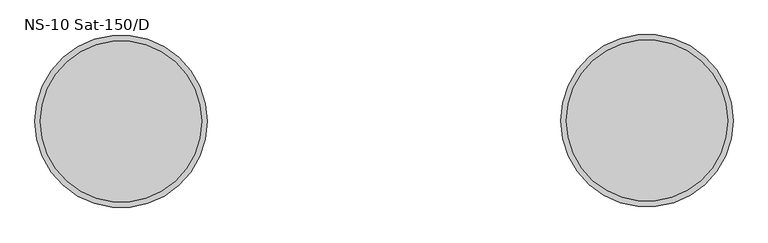
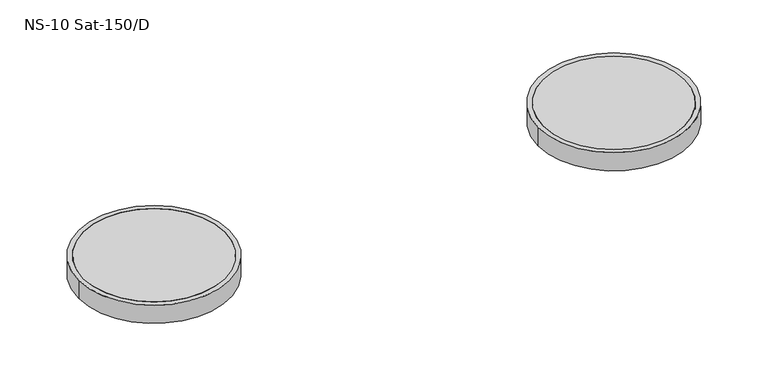
"""IFC4 building model written with IfcOpenShell, lengths in millimetres: unitary equipment geometry, NS-10 Sat-150/D."""

from ifc_helpers import new_model, si_unit, point, frame, frame_2d, origin, place, context, project, spatial, circle_curve, trimmed, segment, composite_curve, outline, extrude, source, transform, mapped, element, save


def ns_10_sat_150_d_5aff60be(model_context):
    return source(origin(), model_context, "Body", "SweptSolid", [
        extrude(outline(composite_curve([segment(trimmed(circle_curve(frame_2d((1190.0, 3.75)), 365.0), [point((1555.0, 3.75))], [point((825.0, 3.75))], False, "CARTESIAN"), True, "CONTINUOUS"), segment(trimmed(circle_curve(frame_2d((1190.0, 3.75)), 365.0), [point((825.0, 3.75))], [point((1555.0, 3.75))], False, "CARTESIAN"), True, "CONTINUOUS")], self_intersect=False)), frame((0.0, 0.0, -100.0), z_axis=(0.0, 0.0, 1.0), x_axis=(1.0, 0.0, 0.0)), (0.0, 0.0, 1.0), 100.0),
        extrude(outline(composite_curve([segment(trimmed(circle_curve(frame_2d((1190.0, 3.75)), 390.0), [point((800.0, 3.75))], [point((1580.0, 3.75))], False, "CARTESIAN"), True, "CONTINUOUS"), segment(trimmed(circle_curve(frame_2d((1190.0, 3.75)), 390.0), [point((1580.0, 3.75))], [point((800.0, 3.75))], False, "CARTESIAN"), True, "CONTINUOUS")], self_intersect=False), holes=[composite_curve([segment(trimmed(circle_curve(frame_2d((1190.0, 3.75)), 365.0), [point((825.0, 3.75))], [point((1555.0, 3.75))], True, "CARTESIAN"), True, "CONTINUOUS"), segment(trimmed(circle_curve(frame_2d((1190.0, 3.75)), 365.0), [point((1555.0, 3.75))], [point((825.0, 3.75))], True, "CARTESIAN"), True, "CONTINUOUS")], self_intersect=False)]), frame((0.0, 0.0, -100.0), z_axis=(0.0, 0.0, 1.0), x_axis=(1.0, 0.0, 0.0)), (0.0, 0.0, 1.0), 100.0),
        extrude(outline(composite_curve([segment(trimmed(circle_curve(frame_2d((-1190.0, 0.0)), 365.0), [point((-825.0, 0.0))], [point((-1555.0, 0.0))], False, "CARTESIAN"), True, "CONTINUOUS"), segment(trimmed(circle_curve(frame_2d((-1190.0, 0.0)), 365.0), [point((-1555.0, 0.0))], [point((-825.0, 0.0))], False, "CARTESIAN"), True, "CONTINUOUS")], self_intersect=False)), frame((0.0, 0.0, -100.0), z_axis=(0.0, 0.0, 1.0), x_axis=(1.0, 0.0, 0.0)), (0.0, 0.0, 1.0), 100.0),
        extrude(outline(composite_curve([segment(trimmed(circle_curve(frame_2d((-1190.0, 0.0)), 390.0), [point((-1580.0, 0.0))], [point((-800.0, 0.0))], False, "CARTESIAN"), True, "CONTINUOUS"), segment(trimmed(circle_curve(frame_2d((-1190.0, 0.0)), 390.0), [point((-800.0, 0.0))], [point((-1580.0, 0.0))], False, "CARTESIAN"), True, "CONTINUOUS")], self_intersect=False), holes=[composite_curve([segment(trimmed(circle_curve(frame_2d((-1190.0, 0.0)), 365.0), [point((-1555.0, 0.0))], [point((-825.0, 0.0))], True, "CARTESIAN"), True, "CONTINUOUS"), segment(trimmed(circle_curve(frame_2d((-1190.0, 0.0)), 365.0), [point((-825.0, 0.0))], [point((-1555.0, 0.0))], True, "CARTESIAN"), True, "CONTINUOUS")], self_intersect=False)]), frame((0.0, 0.0, -100.0), z_axis=(0.0, 0.0, 1.0), x_axis=(1.0, 0.0, 0.0)), (0.0, 0.0, 1.0), 100.0),
    ])


if __name__ == "__main__":
    model = new_model("IFC4")
    model_context = context("Model", 3, world=origin())
    ifc_project = project(units=[si_unit("LENGTHUNIT", "METRE", prefix="MILLI")], contexts=[model_context])
    site = spatial("IfcSite", under=ifc_project)
    building = spatial("IfcBuilding", under=site)
    placement = place(None, origin())
    ns_10_sat_150_d_shape = ns_10_sat_150_d_5aff60be(model_context)
    element("IfcUnitaryEquipment", 1, ObjectType="NS-10 Sat-150/D", at=placement, inside=building, context=model_context, shape_type="MappedRepresentation", body=[
        mapped(ns_10_sat_150_d_shape, transform((0.0, 0.0, 0.0), x_axis=(1.0, 0.0, 0.0), y_axis=(0.0, 1.0, 0.0), z_axis=(0.0, 0.0, 1.0))),
    ])
    save(model, "model.ifc")
